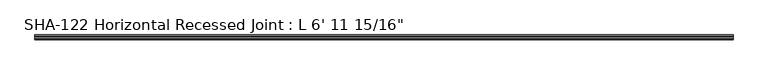
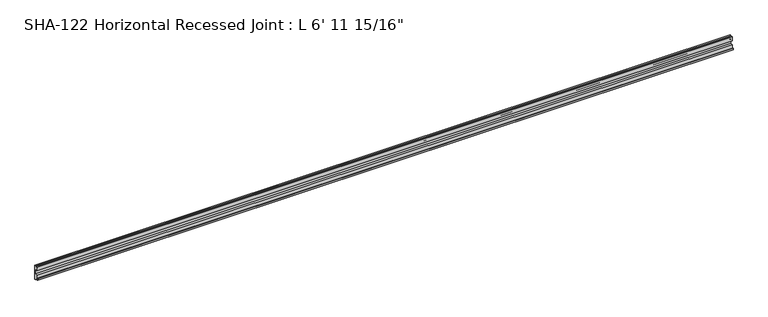
"""IFC4 building model written with IfcOpenShell, lengths in millimetres: proxy geometry."""

from ifc_helpers import new_model, si_unit, point, frame, frame_2d, origin, place, context, project, spatial, polyline, circle_curve, trimmed, segment, composite_curve, outline, extrude, source, transform, mapped, element, save


def proxy_ca8ecd39(model_context):
    return source(origin(), model_context, "Body", "SweptSolid", [
        extrude(outline(composite_curve([segment(polyline([(0.0, -19.1207066), (0.0, -14.3963424)]), True, "CONTINUOUS"), segment(trimmed(circle_curve(frame_2d((0.0075405, -15.9711244)), 1.5748), [point((0.0, -14.3963424))], [point((1.5823405, -15.9711244))], False, "CARTESIAN"), True, "CONTINUOUS"), segment(polyline([(1.5823405, -15.9711244), (4.7954405, -15.9711244), (4.7954405, -5.7857244), (12.7434128, -5.7857244), (12.7434128, 7.0857256)]), True, "CONTINUOUS"), segment(trimmed(circle_curve(frame_2d((11.4734128, 7.0857256)), 1.27), [point((12.7434128, 7.0857256))], [point((11.4734128, 8.3557256))], True, "CARTESIAN"), True, "CONTINUOUS"), segment(polyline([(11.4734128, 8.3557256), (4.7932128, 8.3557256), (4.7932128, 20.4405288)]), True, "CONTINUOUS"), segment(trimmed(circle_curve(frame_2d((5.9859085, 19.3490984)), 1.6167075), [point((4.7932128, 20.4405288))], [point((7.1145821, 20.5066126))], False, "CARTESIAN"), True, "CONTINUOUS"), segment(polyline([(7.1145821, 20.5066126), (8.9255559, 9.9305256), (11.140714, 9.9305256), (11.140714, 20.9651512), (14.3182128, 20.9651512), (14.3182128, -23.8832244), (11.140714, -23.8832244), (11.140714, -8.0491906), (8.9318758, -8.0491906), (7.0360651, -19.1207247), (4.7954405, -19.1207247), (4.7954405, -17.5459247), (1.5823405, -17.5459247)]), True, "CONTINUOUS"), segment(trimmed(circle_curve(frame_2d((0.0075405, -17.5459247)), 1.5748), [point((1.5823405, -17.5459247))], [point((0.0, -19.1207066))], False, "CARTESIAN"), True, "CONTINUOUS")], self_intersect=False)), frame((0.0, 0.0, 0.0), z_axis=(1.0, 0.0, 0.0), x_axis=(0.0, 1.0, 0.0)), (0.0, 0.0, 1.0), 2132.0125),
    ])


if __name__ == "__main__":
    model = new_model("IFC4")
    model_context = context("Model", 3, world=origin())
    ifc_project = project(units=[si_unit("LENGTHUNIT", "METRE", prefix="MILLI")], contexts=[model_context])
    site = spatial("IfcSite", under=ifc_project)
    building = spatial("IfcBuilding", under=site)
    placement = place(None, origin())
    proxy_shape = proxy_ca8ecd39(model_context)
    element("IfcBuildingElementProxy", 1, Name="SHA-122 Horizontal Recessed Joint : L 6' 11 15/16\"", ObjectType="SHA-122 Horizontal Recessed Joint : L 6' 11 15/16\"", at=placement, inside=building, context=model_context, shape_type="MappedRepresentation", body=[
        mapped(proxy_shape, transform((0.0, 0.0, 0.0), x_axis=(1.0, 0.0, 0.0), y_axis=(0.0, 1.0, 0.0), z_axis=(0.0, 0.0, 1.0))),
    ])
    save(model, "model.ifc")
